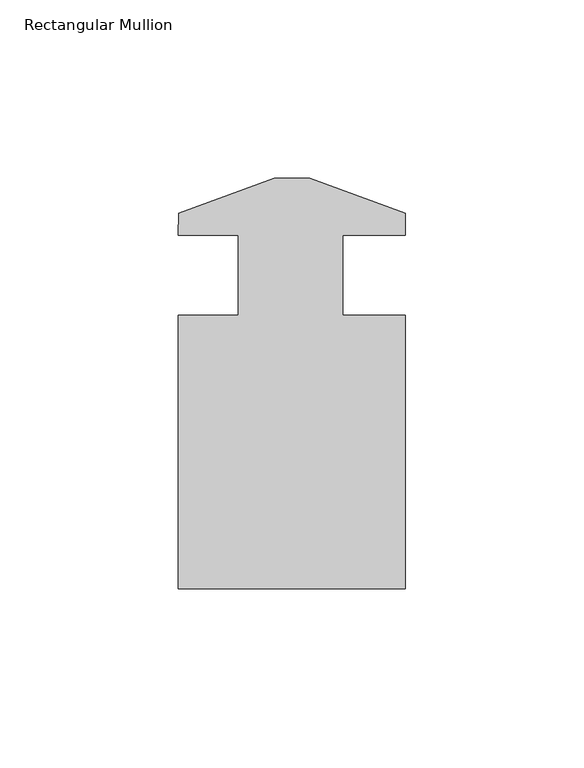
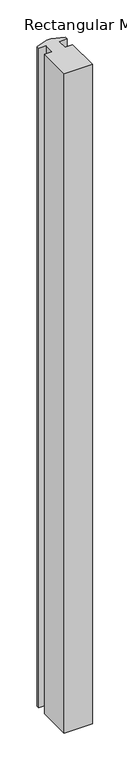
"""IFC4 building model written with IfcOpenShell, lengths in millimetres: member geometry, Rectangular Mullion."""

from ifc_helpers import new_model, si_unit, frame, origin, place, context, project, spatial, polyline, outline, extrude, source, transform, mapped, element, save


def rectangular_mullion_0874ce33(model_context):
    return source(origin(), model_context, "Body", "SweptSolid", [
        extrude(outline(polyline([(-31.6999958, -9.4257812), (-4.9022, 0.3278188), (4.9522042, 0.3278188), (31.75, -9.4257812), (31.75, -15.5217812), (14.2875, -15.5217812), (14.2875, -38.0007812), (31.75, -38.0007812), (31.75, -114.5309812), (-31.75, -114.5309812), (-31.75, -38.0007812), (-15.0622, -38.0007812), (-15.0622, -15.5217813), (-31.75, -15.5217812), (-31.6999958, -9.4257812)])), frame((0.0, 0.0, -1570.036738), z_axis=(0.0, 0.0, 1.0), x_axis=(1.0, 0.0, 0.0)), (0.0, 0.0, 1.0), 1570.036738),
    ])


if __name__ == "__main__":
    model = new_model("IFC4")
    model_context = context("Model", 3, world=origin())
    ifc_project = project(units=[si_unit("LENGTHUNIT", "METRE", prefix="MILLI")], contexts=[model_context])
    site = spatial("IfcSite", under=ifc_project)
    building = spatial("IfcBuilding", under=site)
    placement = place(None, origin())
    rectangular_mullion_shape = rectangular_mullion_0874ce33(model_context)
    element("IfcMember", 1, ObjectType="Rectangular Mullion", at=placement, inside=building, context=model_context, shape_type="MappedRepresentation", body=[
        mapped(rectangular_mullion_shape, transform((0.0, 0.0, 0.0), x_axis=(1.0, 0.0, 0.0), y_axis=(0.0, 1.0, 0.0), z_axis=(0.0, 0.0, 1.0))),
    ])
    save(model, "model.ifc")
